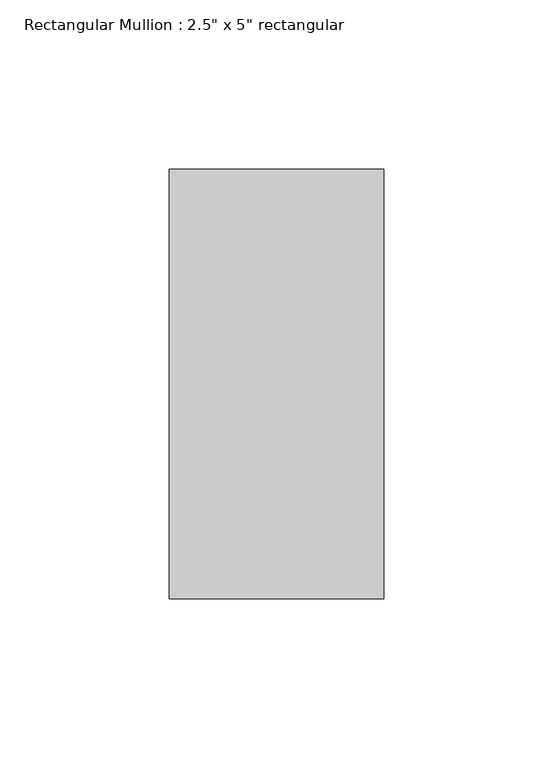
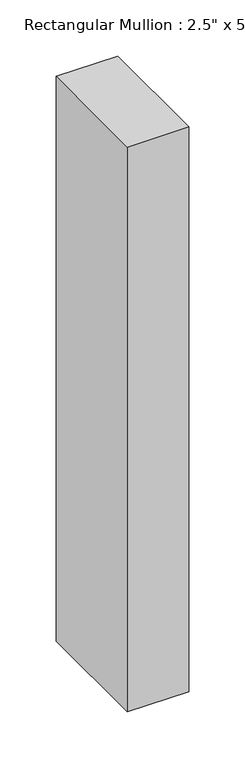
"""IFC4 building model written with IfcOpenShell, lengths in millimetres: member geometry."""

from ifc_helpers import new_model, si_unit, frame, origin, place, context, project, spatial, polyline, outline, extrude, source, transform, mapped, element, save


def member_a4b644f0(model_context):
    return source(origin(), model_context, "Body", "SweptSolid", [
        extrude(outline(polyline([(31.75, 63.5), (31.75, -63.5), (-31.75, -63.5), (-31.75, 63.5), (31.75, 63.5)])), frame((0.0, 0.0, -615.754903), z_axis=(0.0, 0.0, 1.0), x_axis=(1.0, 0.0, 0.0)), (0.0, 0.0, 1.0), 615.754903),
    ])


if __name__ == "__main__":
    model = new_model("IFC4")
    model_context = context("Model", 3, world=origin())
    ifc_project = project(units=[si_unit("LENGTHUNIT", "METRE", prefix="MILLI")], contexts=[model_context])
    site = spatial("IfcSite", under=ifc_project)
    building = spatial("IfcBuilding", under=site)
    placement = place(None, origin())
    member_shape = member_a4b644f0(model_context)
    element("IfcMember", 1, ObjectType="Rectangular Mullion : 2.5\" x 5\" rectangular", at=placement, inside=building, context=model_context, shape_type="MappedRepresentation", body=[
        mapped(member_shape, transform((0.0, 0.0, 0.0), x_axis=(1.0, 0.0, 0.0), y_axis=(0.0, 1.0, 0.0), z_axis=(0.0, 0.0, 1.0))),
    ])
    save(model, "model.ifc")
